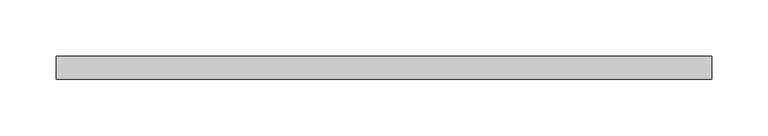
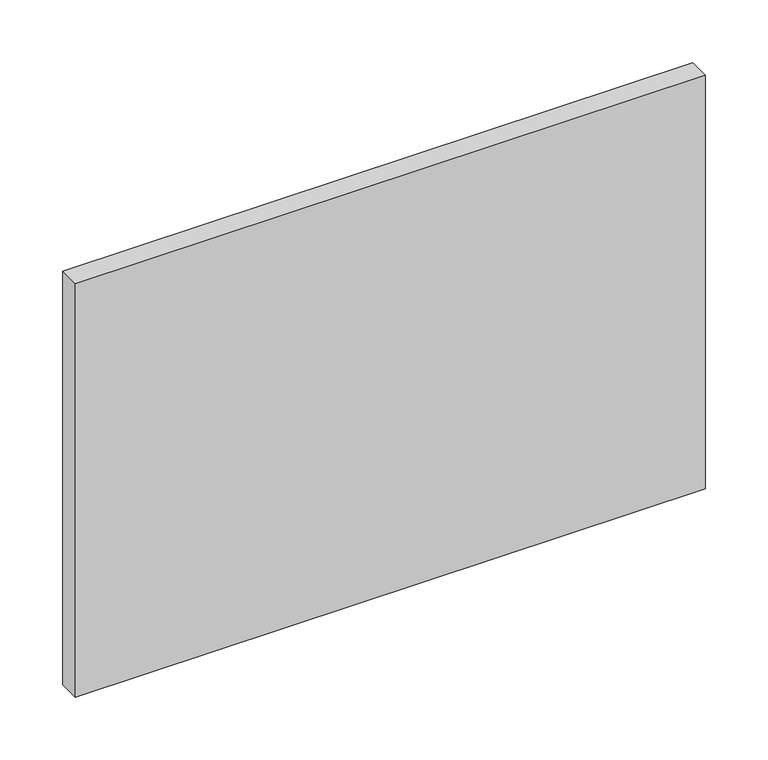
"""IFC4 building model written with IfcOpenShell, lengths in millimetres: plate geometry."""

import ifcopenshell
import ifcopenshell.guid

model = None  # the IFC model being written
_history = None  # IfcOwnerHistory: only IFC2X3 demands one
_inside = {}  # id of a spatial element -> (the spatial element, [elements in it])
_under = {}  # id of a project, library or spatial element -> (it, [spatial elements below it])
_declared = {}  # id of a project -> (the project, [libraries it declares])
_typed = {}  # id of a type object -> (the type object, [elements of that type])
_made_of = {}  # id of a material, layer set ... -> (it, [elements and type objects made of it])


def new_model(schema):
    """Start an empty IFC model of exactly this schema.

    Asked for "IFC4X3", IfcOpenShell would pick the latest addendum, in which some entities
    have other attributes; the version numbers below select the first issue.
    IFC2X3 requires an IfcOwnerHistory on every rooted entity: one is made here for all.
    """
    global model, _history
    if schema == "IFC4X3":
        model = ifcopenshell.file(schema_version=(4, 3, 0, 0))
    else:
        model = ifcopenshell.file(schema=schema)
    _inside.clear()
    _under.clear()
    _declared.clear()
    _typed.clear()
    _made_of.clear()
    _history = None
    if model.schema == "IFC2X3":
        org = make("IfcOrganization", Name="unknown")
        user = make(
            "IfcPersonAndOrganization",
            ThePerson=make("IfcPerson", FamilyName="unknown"),
            TheOrganization=org,
        )
        app = make(
            "IfcApplication",
            ApplicationDeveloper=org,
            Version="unknown",
            ApplicationFullName="unknown",
            ApplicationIdentifier="unknown",
        )
        _history = make(
            "IfcOwnerHistory",
            OwningUser=user,
            OwningApplication=app,
            ChangeAction="ADDED",
            CreationDate=0,
        )
    return model


def make(cls, **values):
    """One entity of the class cls with the attributes given. An attribute that is None is left unset."""
    return model.create_entity(
        cls, **{name: value for name, value in values.items() if value is not None}
    )


def rooted(cls, **values):
    """An entity with a GlobalId (a new one), such as an element, a storey or a relation."""
    return make(cls, GlobalId=ifcopenshell.guid.new(), OwnerHistory=_history, **values)


def si_unit(unit_type, name, prefix=None):
    """IfcSIUnit, for example si_unit("LENGTHUNIT", "METRE", prefix="MILLI")."""
    return make("IfcSIUnit", UnitType=unit_type, Prefix=prefix, Name=name)


def assignment(units):
    """IfcUnitAssignment: the units of a project."""
    return None if units is None else make("IfcUnitAssignment", Units=units)


def point(xyz):
    """IfcCartesianPoint."""
    return None if xyz is None else make("IfcCartesianPoint", Coordinates=xyz)


def direction(xyz):
    """IfcDirection."""
    return None if xyz is None else make("IfcDirection", DirectionRatios=xyz)


def frame(location, z_axis=None, x_axis=None):
    """IfcAxis2Placement3D, a coordinate frame: its origin and axes. An axis left out is left unset."""
    return make(
        "IfcAxis2Placement3D",
        Location=point(location),
        Axis=direction(z_axis),
        RefDirection=direction(x_axis),
    )


def origin():
    """The frame at (0, 0, 0) with its axes left unset."""
    return frame((0.0, 0.0, 0.0))


def origin_with_axes():
    """The frame at (0, 0, 0) with the z axis (0, 0, 1) and the x axis (1, 0, 0) written out."""
    return frame((0.0, 0.0, 0.0), z_axis=(0.0, 0.0, 1.0), x_axis=(1.0, 0.0, 0.0))


def place(relative_to, where):
    """IfcLocalPlacement: puts the frame where relative to a parent placement (None: the world)."""
    return make(
        "IfcLocalPlacement", PlacementRelTo=relative_to, RelativePlacement=where
    )


def context(
    kind, dimensions, precision=None, world=None, true_north=None, identifier=None
):
    """IfcGeometricRepresentationContext, for example the 3D "Model" context."""
    return make(
        "IfcGeometricRepresentationContext",
        ContextIdentifier=identifier,
        ContextType=kind,
        CoordinateSpaceDimension=dimensions,
        Precision=precision,
        WorldCoordinateSystem=world,
        TrueNorth=true_north,
    )


def project(units=None, contexts=None):
    """IfcProject with its units and contexts."""
    return rooted(
        "IfcProject",
        Name="project",
        RepresentationContexts=contexts,
        UnitsInContext=assignment(units),
    )


def spatial(cls, under=None, at=None, **own):
    """A site, building, storey or space (cls), placed at a placement, below another one or the project."""
    s = rooted(cls, ObjectPlacement=at, **own)
    if under is not None:
        _under.setdefault(under.id(), (under, []))[1].append(s)
    return s


def polyline(points):
    """IfcPolyline through the points."""
    return make("IfcPolyline", Points=[point(p) for p in points])


def outline(outer, holes=None, kind="AREA"):
    """IfcArbitraryClosedProfileDef: a profile drawn as a closed curve; with holes, ...WithVoids."""
    if holes is None:
        return make("IfcArbitraryClosedProfileDef", ProfileType=kind, OuterCurve=outer)
    return make(
        "IfcArbitraryProfileDefWithVoids",
        ProfileType=kind,
        OuterCurve=outer,
        InnerCurves=holes,
    )


def extrude(swept, where, along, depth):
    """IfcExtrudedAreaSolid: the profile swept, set in the frame where, extruded along a direction by depth."""
    return make(
        "IfcExtrudedAreaSolid",
        SweptArea=swept,
        Position=where,
        ExtrudedDirection=direction(along),
        Depth=depth,
    )


def shape(context_of_items, identifier, shape_type, items):
    """IfcShapeRepresentation: the items that make up one representation, for example the "Body"."""
    return make(
        "IfcShapeRepresentation",
        ContextOfItems=context_of_items,
        RepresentationIdentifier=identifier,
        RepresentationType=shape_type,
        Items=items,
    )


def source(mapping_origin, context_of_items, identifier, shape_type, items):
    """IfcRepresentationMap: a shape defined once, which mapped items show again and again."""
    return make(
        "IfcRepresentationMap",
        MappingOrigin=mapping_origin,
        MappedRepresentation=shape(context_of_items, identifier, shape_type, items),
    )


def transform(
    local_origin,
    x_axis=None,
    y_axis=None,
    z_axis=None,
    scale=None,
    scale2=None,
    scale3=None,
    uniform=True,
):
    """IfcCartesianTransformationOperator3D, or its non-uniform kind. x_axis, y_axis, z_axis: its Axis1, 2, 3."""
    if uniform:
        return make(
            "IfcCartesianTransformationOperator3D",
            Axis1=direction(x_axis),
            Axis2=direction(y_axis),
            LocalOrigin=point(local_origin),
            Scale=scale,
            Axis3=direction(z_axis),
        )
    return make(
        "IfcCartesianTransformationOperator3DnonUniform",
        Axis1=direction(x_axis),
        Axis2=direction(y_axis),
        LocalOrigin=point(local_origin),
        Scale=scale,
        Axis3=direction(z_axis),
        Scale2=scale2,
        Scale3=scale3,
    )


def mapped(mapping_source, mapping_target):
    """IfcMappedItem: shows the shape of a source again, moved by a transform."""
    return make(
        "IfcMappedItem", MappingSource=mapping_source, MappingTarget=mapping_target
    )


def made_of(thing, what):
    """Note that an element or type object is made of a material, layer set ...; save() writes the relation."""
    if what is not None:
        _made_of.setdefault(what.id(), (what, []))[1].append(thing)
    return thing


def element(
    cls,
    number,
    at=None,
    inside=None,
    cuts=None,
    type_object=None,
    material=None,
    context=None,
    identifier="Body",
    shape_type=None,
    held_by="IfcProductDefinitionShape",
    body=None,
    shapes=None,
    **own,
):
    """One element of the class cls, such as IfcWall. Its Tag is "e" and its number.

    at: its placement. inside: the storey or other place that contains it. cuts: it is an
    opening in that element (IfcRelVoidsElement). A single representation is given by context,
    identifier, shape_type and body (its items); several are given by shapes. held_by: the class
    of the entity that holds the representations. save() writes the other relations.
    """
    e = rooted(cls, Tag="e%d" % number, ObjectPlacement=at, **own)
    if body is not None:
        shapes = [shape(context, identifier, shape_type, body)]
    if shapes is not None:
        e.Representation = make(held_by, Representations=shapes)
    if inside is not None:
        _inside.setdefault(inside.id(), (inside, []))[1].append(e)
    if cuts is not None:
        rooted(
            "IfcRelVoidsElement", RelatingBuildingElement=cuts, RelatedOpeningElement=e
        )
    if type_object is not None:
        _typed.setdefault(type_object.id(), (type_object, []))[1].append(e)
    return made_of(e, material)


def aggregate(whole, parts):
    """IfcRelAggregates: a whole, such as a stair, and the parts it consists of."""
    return rooted("IfcRelAggregates", RelatingObject=whole, RelatedObjects=parts)


def save(model, path):
    """Write the relations noted so far, then the file.

    IfcRelAggregates (storeys below a building ...), IfcRelContainedInSpatialStructure (elements
    in a storey), IfcRelDefinesByType, IfcRelAssociatesMaterial and IfcRelDeclares: one each for
    every whole, place, type object, material and project.
    """
    for whole, parts in _under.values():
        aggregate(whole, parts)
    for where, things in _inside.values():
        rooted(
            "IfcRelContainedInSpatialStructure",
            RelatedElements=things,
            RelatingStructure=where,
        )
    for kind, things in _typed.values():
        rooted("IfcRelDefinesByType", RelatedObjects=things, RelatingType=kind)
    for what, things in _made_of.values():
        rooted("IfcRelAssociatesMaterial", RelatedObjects=things, RelatingMaterial=what)
    for by, libraries in _declared.values():
        rooted("IfcRelDeclares", RelatingContext=by, RelatedDefinitions=libraries)
    model.write(path)


def plate_f7700219(model_context):
    return source(origin(), model_context, "Body", "SweptSolid", [
        extrude(outline(polyline([(290.0, -90.0), (-290.0, -90.0), (-290.0, -70.0), (290.0, -70.0), (290.0, -90.0)])), origin_with_axes(), (0.0, 0.0, 1.0), 402.3076923),
    ])


if __name__ == "__main__":
    model = new_model("IFC4")
    model_context = context("Model", 3, world=origin())
    ifc_project = project(units=[si_unit("LENGTHUNIT", "METRE", prefix="MILLI")], contexts=[model_context])
    site = spatial("IfcSite", under=ifc_project)
    building = spatial("IfcBuilding", under=site)
    placement = place(None, origin())
    plate_shape = plate_f7700219(model_context)
    element("IfcPlate", 1, at=placement, inside=building, context=model_context, shape_type="MappedRepresentation", body=[
        mapped(plate_shape, transform((0.0, 0.0, 0.0), x_axis=(1.0, 0.0, 0.0), y_axis=(0.0, 1.0, 0.0), z_axis=(0.0, 0.0, 1.0))),
    ])
    save(model, "model.ifc")
